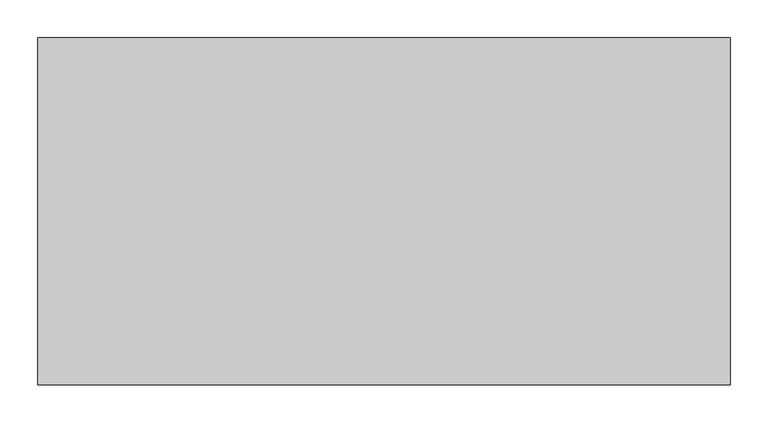
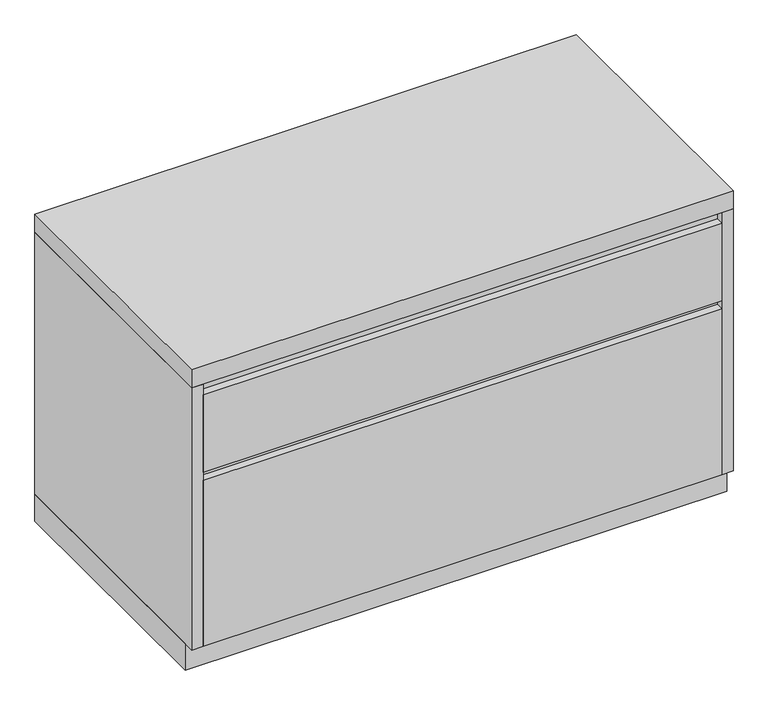
"""IFC4 building model written with IfcOpenShell, lengths in millimetres: furniture geometry."""

from ifc_helpers import new_model, si_unit, frame, origin, origin_with_axes, place, context, project, spatial, polyline, outline, extrude, source, transform, mapped, element, save


def furniture_30519a8b(model_context):
    return source(origin(), model_context, "Body", "SweptSolid", [
        extrude(outline(polyline([(-438.15, 357.1875), (-457.2, 357.1875), (-457.2, 495.3), (-444.5, 495.3), (-444.5, 509.5875), (-438.15, 509.5875), (-438.15, 357.1875)])), frame((-436.5625, 0.0, 0.0), z_axis=(1.0, 0.0, 0.0), x_axis=(0.0, 1.0, 0.0)), (0.0, 0.0, 1.0), 873.125),
        extrude(outline(polyline([(-438.15, 47.625), (-457.2, 47.625), (-457.2, 342.9), (-444.5, 342.9), (-444.5, 357.1875), (-438.15, 357.1875), (-438.15, 47.625)])), frame((-436.5625, 0.0, 0.0), z_axis=(1.0, 0.0, 0.0), x_axis=(0.0, 1.0, 0.0)), (0.0, 0.0, 1.0), 873.125),
        extrude(outline(polyline([(455.6125, 0.0), (455.6125, -438.15), (-455.6125, -438.15), (-455.6125, 0.0), (455.6125, 0.0)])), origin_with_axes(), (0.0, 0.0, 1.0), 47.625),
        extrude(outline(polyline([(455.6125, 0.0), (455.6125, -457.2), (-455.6125, -457.2), (-455.6125, 0.0), (455.6125, 0.0)])), frame((0.0, 0.0, 514.35), z_axis=(0.0, 0.0, 1.0), x_axis=(1.0, 0.0, 0.0)), (0.0, 0.0, 1.0), 31.75),
        extrude(outline(polyline([(455.6125, 0.0), (455.6125, -457.2), (436.5625, -457.2), (436.5625, -19.05), (-436.5625, -19.05), (-436.5625, -457.2), (-455.6125, -457.2), (-455.6125, 0.0), (455.6125, 0.0)])), frame((0.0, 0.0, 47.625), z_axis=(0.0, 0.0, 1.0), x_axis=(1.0, 0.0, 0.0)), (0.0, 0.0, 1.0), 466.725),
    ])


if __name__ == "__main__":
    model = new_model("IFC4")
    model_context = context("Model", 3, world=origin())
    ifc_project = project(units=[si_unit("LENGTHUNIT", "METRE", prefix="MILLI")], contexts=[model_context])
    site = spatial("IfcSite", under=ifc_project)
    building = spatial("IfcBuilding", under=site)
    placement = place(None, origin())
    furniture_shape = furniture_30519a8b(model_context)
    element("IfcFurniture", 1, at=placement, inside=building, context=model_context, shape_type="MappedRepresentation", body=[
        mapped(furniture_shape, transform((0.0, 0.0, 0.0), x_axis=(1.0, 0.0, 0.0), y_axis=(0.0, 1.0, 0.0), z_axis=(0.0, 0.0, 1.0))),
    ])
    save(model, "model.ifc")
